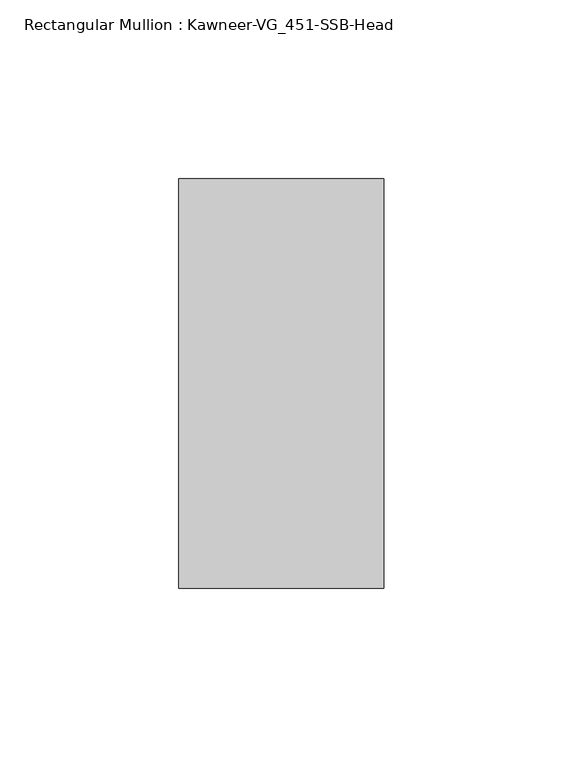
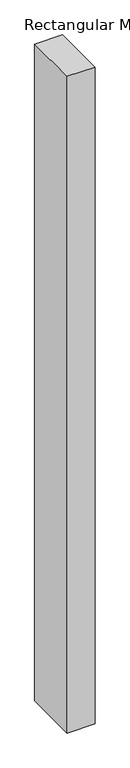
"""IFC4 building model written with IfcOpenShell, lengths in millimetres: member geometry, Rectangular Mullion : Kawneer-VG_451-SSB-Head."""

from ifc_helpers import new_model, si_unit, frame, origin, place, context, project, spatial, polyline, outline, extrude, source, transform, mapped, element, save


def rectangular_mullion_kawneer_vg_451_ssb_head_90a68be5(model_context):
    return source(origin(), model_context, "Body", "SweptSolid", [
        extrude(outline(polyline([(-57.15, -57.15), (-57.15, 57.15), (0.0, 57.15), (0.0, -57.15), (-57.15, -57.15)])), frame((0.0, 0.0, -1412.875), z_axis=(0.0, 0.0, 1.0), x_axis=(1.0, 0.0, 0.0)), (0.0, 0.0, 1.0), 1412.875),
    ])


if __name__ == "__main__":
    model = new_model("IFC4")
    model_context = context("Model", 3, world=origin())
    ifc_project = project(units=[si_unit("LENGTHUNIT", "METRE", prefix="MILLI")], contexts=[model_context])
    site = spatial("IfcSite", under=ifc_project)
    building = spatial("IfcBuilding", under=site)
    placement = place(None, origin())
    rectangular_mullion_kawneer_vg_451_ssb_head_shape = rectangular_mullion_kawneer_vg_451_ssb_head_90a68be5(model_context)
    element("IfcMember", 1, ObjectType="Rectangular Mullion : Kawneer-VG_451-SSB-Head", at=placement, inside=building, context=model_context, shape_type="MappedRepresentation", body=[
        mapped(rectangular_mullion_kawneer_vg_451_ssb_head_shape, transform((0.0, 0.0, 0.0), x_axis=(1.0, 0.0, 0.0), y_axis=(0.0, 1.0, 0.0), z_axis=(0.0, 0.0, 1.0))),
    ])
    save(model, "model.ifc")
